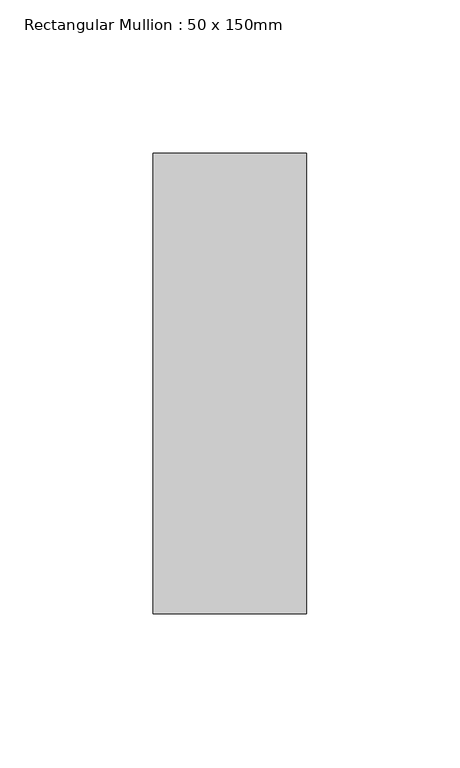
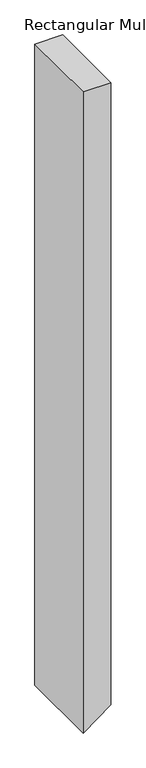
"""IFC4 building model written with IfcOpenShell, lengths in millimetres: member geometry, Rectangular Mullion : 50 x 150mm."""

from ifc_helpers import new_model, si_unit, frame, origin, place, context, project, spatial, polyline, outline, extrude, source, transform, mapped, element, save


def rectangular_mullion_50_x_150mm_3c53fc55(model_context):
    return source(origin(), model_context, "Body", "SweptSolid", [
        extrude(outline(polyline([(0.0, 25.0), (0.0, -25.0), (-1220.6271704, -25.0), (-1183.860869, 25.0), (0.0, 25.0)])), frame((0.0, -75.0, 0.0), z_axis=(0.0, 1.0, 0.0), x_axis=(0.0, 0.0, 1.0)), (0.0, 0.0, 1.0), 150.0),
    ])


if __name__ == "__main__":
    model = new_model("IFC4")
    model_context = context("Model", 3, world=origin())
    ifc_project = project(units=[si_unit("LENGTHUNIT", "METRE", prefix="MILLI")], contexts=[model_context])
    site = spatial("IfcSite", under=ifc_project)
    building = spatial("IfcBuilding", under=site)
    placement = place(None, origin())
    rectangular_mullion_50_x_150mm_shape = rectangular_mullion_50_x_150mm_3c53fc55(model_context)
    element("IfcMember", 1, ObjectType="Rectangular Mullion : 50 x 150mm", at=placement, inside=building, context=model_context, shape_type="MappedRepresentation", body=[
        mapped(rectangular_mullion_50_x_150mm_shape, transform((0.0, 0.0, 0.0), x_axis=(1.0, 0.0, 0.0), y_axis=(0.0, 1.0, 0.0), z_axis=(0.0, 0.0, 1.0))),
    ])
    save(model, "model.ifc")
